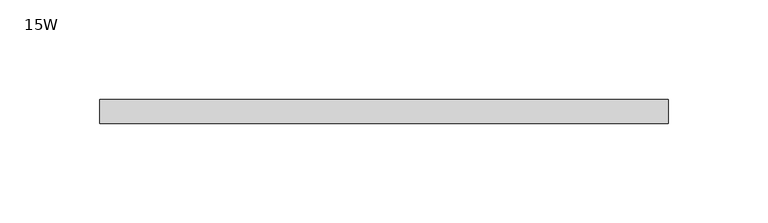
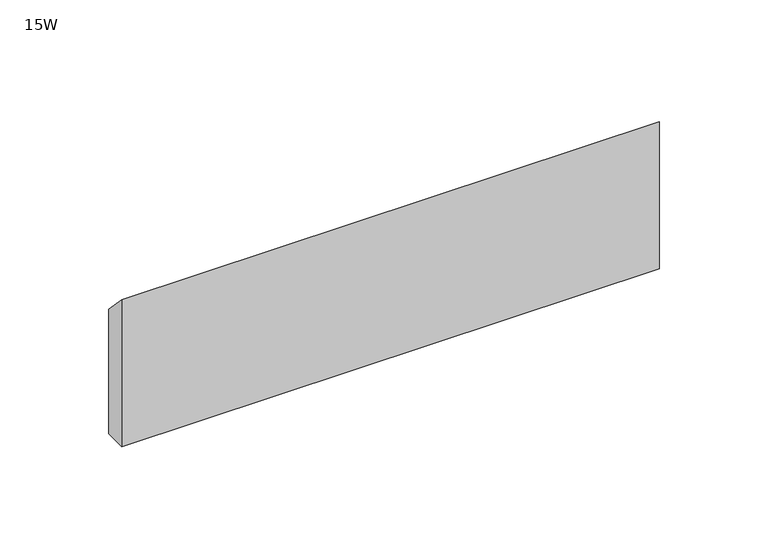
"""IFC4 building model written with IfcOpenShell, lengths in millimetres: furniture geometry, 15W."""

from ifc_helpers import new_model, si_unit, frame, origin, place, context, project, spatial, polyline, outline, extrude, source, transform, mapped, element, save


def furniture_15w_5884f0ed(model_context):
    return source(origin(), model_context, "Body", "SweptSolid", [
        extrude(outline(polyline([(-11.938, 882.65), (-11.938, 965.2), (0.0, 952.5), (0.0, 882.65), (-11.938, 882.65)])), frame((48.006, 0.0, 0.0), z_axis=(1.0, 0.0, 0.0), x_axis=(0.0, 1.0, 0.0)), (0.0, 0.0, 1.0), 284.988),
    ])


if __name__ == "__main__":
    model = new_model("IFC4")
    model_context = context("Model", 3, world=origin())
    ifc_project = project(units=[si_unit("LENGTHUNIT", "METRE", prefix="MILLI")], contexts=[model_context])
    site = spatial("IfcSite", under=ifc_project)
    building = spatial("IfcBuilding", under=site)
    placement = place(None, origin())
    furniture_15w_shape = furniture_15w_5884f0ed(model_context)
    element("IfcFurniture", 1, ObjectType="15W", at=placement, inside=building, context=model_context, shape_type="MappedRepresentation", body=[
        mapped(furniture_15w_shape, transform((0.0, 0.0, 0.0), x_axis=(1.0, 0.0, 0.0), y_axis=(0.0, 1.0, 0.0), z_axis=(0.0, 0.0, 1.0))),
    ])
    save(model, "model.ifc")
